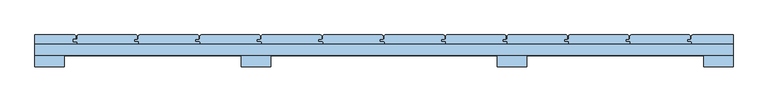
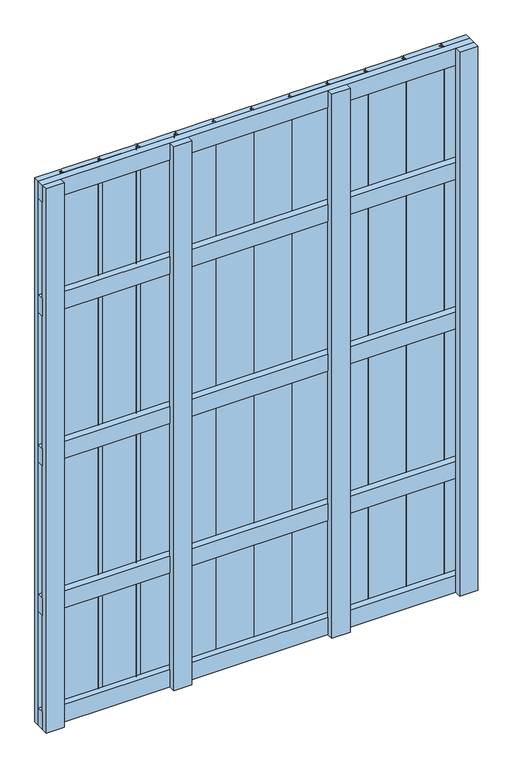
"""IFC4 building model written with IfcOpenShell, lengths in millimetres: window geometry."""

from ifc_helpers import new_model, si_unit, point, frame, frame_2d, origin, place, context, project, spatial, polyline, circle_curve, trimmed, segment, composite_curve, outline, extrude, source, transform, mapped, element, save


def window_248f4557(model_context):
    return source(origin(), model_context, "Body", "SweptSolid", [
        extrude(outline(polyline([(750.0, 148.0), (750.0, 124.0), (-750.0, 124.0), (-750.0, 148.0), (750.0, 148.0)])), frame((0.0, 0.0, 1618.5), z_axis=(0.0, 0.0, 1.0), x_axis=(1.0, 0.0, 0.0)), (0.0, 0.0, 1.0), 63.0),
        extrude(outline(polyline([(750.0, 148.0), (750.0, 124.0), (-750.0, 124.0), (-750.0, 148.0), (750.0, 148.0)])), frame((0.0, 0.0, 1068.5), z_axis=(0.0, 0.0, 1.0), x_axis=(1.0, 0.0, 0.0)), (0.0, 0.0, 1.0), 63.0),
        extrude(outline(polyline([(750.0, 148.0), (750.0, 124.0), (-750.0, 124.0), (-750.0, 148.0), (750.0, 148.0)])), frame((0.0, 0.0, 518.5), z_axis=(0.0, 0.0, 1.0), x_axis=(1.0, 0.0, 0.0)), (0.0, 0.0, 1.0), 63.0),
        extrude(outline(polyline([(750.0, 148.0), (750.0, 124.0), (-750.0, 124.0), (-750.0, 148.0), (750.0, 148.0)])), frame((0.0, 0.0, 2037.0), z_axis=(0.0, 0.0, 1.0), x_axis=(1.0, 0.0, 0.0)), (0.0, 0.0, 1.0), 63.0),
        extrude(outline(polyline([(750.0, 148.0), (750.0, 124.0), (-750.0, 124.0), (-750.0, 148.0), (750.0, 148.0)])), frame((0.0, 0.0, 100.0), z_axis=(0.0, 0.0, 1.0), x_axis=(1.0, 0.0, 0.0)), (0.0, 0.0, 1.0), 63.0),
        extrude(outline(composite_curve([segment(polyline([(-531.0, 159.0), (-536.0, 159.0)]), True, "CONTINUOUS"), segment(trimmed(circle_curve(frame_2d((-536.0, 158.0)), 1.0), [point((-536.0, 159.0))], [point((-537.0, 158.0))], True, "CARTESIAN"), True, "CONTINUOUS"), segment(polyline([(-537.0, 158.0), (-537.0, 154.0)]), True, "CONTINUOUS"), segment(trimmed(circle_curve(frame_2d((-536.0, 154.0)), 1.0), [point((-537.0, 154.0))], [point((-536.0, 153.0))], True, "CARTESIAN"), True, "CONTINUOUS"), segment(polyline([(-536.0, 153.0), (-529.0, 153.0)]), True, "CONTINUOUS"), segment(trimmed(circle_curve(frame_2d((-529.0, 152.0)), 1.0), [point((-529.0, 153.0))], [point((-528.0, 152.0))], False, "CARTESIAN"), True, "CONTINUOUS"), segment(polyline([(-528.0, 152.0), (-528.0, 148.0), (-659.0, 148.0), (-659.0, 153.0), (-667.0, 153.0)]), True, "CONTINUOUS"), segment(trimmed(circle_curve(frame_2d((-667.0, 154.0)), 1.0), [point((-667.0, 153.0))], [point((-668.0, 154.0))], False, "CARTESIAN"), True, "CONTINUOUS"), segment(polyline([(-668.0, 154.0), (-668.0, 158.0)]), True, "CONTINUOUS"), segment(trimmed(circle_curve(frame_2d((-667.0, 158.0)), 1.0), [point((-668.0, 158.0))], [point((-667.0, 159.0))], False, "CARTESIAN"), True, "CONTINUOUS"), segment(polyline([(-667.0, 159.0), (-659.5177112, 159.0), (-659.5177112, 165.0156631)]), True, "CONTINUOUS"), segment(trimmed(circle_curve(frame_2d((-656.5333743, 165.0156631)), 2.9843369), [point((-659.5177112, 165.0156631))], [point((-656.5333743, 168.0))], False, "CARTESIAN"), True, "CONTINUOUS"), segment(polyline([(-656.5333743, 168.0), (-533.0347984, 168.0)]), True, "CONTINUOUS"), segment(trimmed(circle_curve(frame_2d((-533.0347984, 164.9652016)), 3.0347984), [point((-533.0347984, 168.0))], [point((-530.0, 164.9652016))], False, "CARTESIAN"), True, "CONTINUOUS"), segment(polyline([(-530.0, 164.9652016), (-530.0, 160.0)]), True, "CONTINUOUS"), segment(trimmed(circle_curve(frame_2d((-531.0, 160.0)), 1.0), [point((-530.0, 160.0))], [point((-531.0, 159.0))], False, "CARTESIAN"), True, "CONTINUOUS")], self_intersect=False)), frame((0.0, 0.0, 100.0), z_axis=(0.0, 0.0, 1.0), x_axis=(1.0, 0.0, 0.0)), (0.0, 0.0, 1.0), 2000.0),
        extrude(outline(composite_curve([segment(polyline([(-399.0, 159.0), (-404.0, 159.0)]), True, "CONTINUOUS"), segment(trimmed(circle_curve(frame_2d((-404.0, 158.0)), 1.0), [point((-404.0, 159.0))], [point((-405.0, 158.0))], True, "CARTESIAN"), True, "CONTINUOUS"), segment(polyline([(-405.0, 158.0), (-405.0, 154.0)]), True, "CONTINUOUS"), segment(trimmed(circle_curve(frame_2d((-404.0, 154.0)), 1.0), [point((-405.0, 154.0))], [point((-404.0, 153.0))], True, "CARTESIAN"), True, "CONTINUOUS"), segment(polyline([(-404.0, 153.0), (-397.0, 153.0)]), True, "CONTINUOUS"), segment(trimmed(circle_curve(frame_2d((-397.0, 152.0)), 1.0), [point((-397.0, 153.0))], [point((-396.0, 152.0))], False, "CARTESIAN"), True, "CONTINUOUS"), segment(polyline([(-396.0, 152.0), (-396.0, 148.0), (-527.0, 148.0), (-527.0, 153.0), (-535.0, 153.0)]), True, "CONTINUOUS"), segment(trimmed(circle_curve(frame_2d((-535.0, 154.0)), 1.0), [point((-535.0, 153.0))], [point((-536.0, 154.0))], False, "CARTESIAN"), True, "CONTINUOUS"), segment(polyline([(-536.0, 154.0), (-536.0, 158.0)]), True, "CONTINUOUS"), segment(trimmed(circle_curve(frame_2d((-535.0, 158.0)), 1.0), [point((-536.0, 158.0))], [point((-535.0, 159.0))], False, "CARTESIAN"), True, "CONTINUOUS"), segment(polyline([(-535.0, 159.0), (-527.5177112, 159.0), (-527.5177112, 165.0156631)]), True, "CONTINUOUS"), segment(trimmed(circle_curve(frame_2d((-524.5333743, 165.0156631)), 2.9843369), [point((-527.5177112, 165.0156631))], [point((-524.5333743, 168.0))], False, "CARTESIAN"), True, "CONTINUOUS"), segment(polyline([(-524.5333743, 168.0), (-401.0347984, 168.0)]), True, "CONTINUOUS"), segment(trimmed(circle_curve(frame_2d((-401.0347984, 164.9652016)), 3.0347984), [point((-401.0347984, 168.0))], [point((-398.0, 164.9652016))], False, "CARTESIAN"), True, "CONTINUOUS"), segment(polyline([(-398.0, 164.9652016), (-398.0, 160.0)]), True, "CONTINUOUS"), segment(trimmed(circle_curve(frame_2d((-399.0, 160.0)), 1.0), [point((-398.0, 160.0))], [point((-399.0, 159.0))], False, "CARTESIAN"), True, "CONTINUOUS")], self_intersect=False)), frame((0.0, 0.0, 100.0), z_axis=(0.0, 0.0, 1.0), x_axis=(1.0, 0.0, 0.0)), (0.0, 0.0, 1.0), 2000.0),
        extrude(outline(composite_curve([segment(polyline([(-267.0, 159.0), (-272.0, 159.0)]), True, "CONTINUOUS"), segment(trimmed(circle_curve(frame_2d((-272.0, 158.0)), 1.0), [point((-272.0, 159.0))], [point((-273.0, 158.0))], True, "CARTESIAN"), True, "CONTINUOUS"), segment(polyline([(-273.0, 158.0), (-273.0, 154.0)]), True, "CONTINUOUS"), segment(trimmed(circle_curve(frame_2d((-272.0, 154.0)), 1.0), [point((-273.0, 154.0))], [point((-272.0, 153.0))], True, "CARTESIAN"), True, "CONTINUOUS"), segment(polyline([(-272.0, 153.0), (-265.0, 153.0)]), True, "CONTINUOUS"), segment(trimmed(circle_curve(frame_2d((-265.0, 152.0)), 1.0), [point((-265.0, 153.0))], [point((-264.0, 152.0))], False, "CARTESIAN"), True, "CONTINUOUS"), segment(polyline([(-264.0, 152.0), (-264.0, 148.0), (-395.0, 148.0), (-395.0, 153.0), (-403.0, 153.0)]), True, "CONTINUOUS"), segment(trimmed(circle_curve(frame_2d((-403.0, 154.0)), 1.0), [point((-403.0, 153.0))], [point((-404.0, 154.0))], False, "CARTESIAN"), True, "CONTINUOUS"), segment(polyline([(-404.0, 154.0), (-404.0, 158.0)]), True, "CONTINUOUS"), segment(trimmed(circle_curve(frame_2d((-403.0, 158.0)), 1.0), [point((-404.0, 158.0))], [point((-403.0, 159.0))], False, "CARTESIAN"), True, "CONTINUOUS"), segment(polyline([(-403.0, 159.0), (-395.5177112, 159.0), (-395.5177112, 165.0156631)]), True, "CONTINUOUS"), segment(trimmed(circle_curve(frame_2d((-392.5333743, 165.0156631)), 2.9843369), [point((-395.5177112, 165.0156631))], [point((-392.5333743, 168.0))], False, "CARTESIAN"), True, "CONTINUOUS"), segment(polyline([(-392.5333743, 168.0), (-269.0347984, 168.0)]), True, "CONTINUOUS"), segment(trimmed(circle_curve(frame_2d((-269.0347984, 164.9652016)), 3.0347984), [point((-269.0347984, 168.0))], [point((-266.0, 164.9652016))], False, "CARTESIAN"), True, "CONTINUOUS"), segment(polyline([(-266.0, 164.9652016), (-266.0, 160.0)]), True, "CONTINUOUS"), segment(trimmed(circle_curve(frame_2d((-267.0, 160.0)), 1.0), [point((-266.0, 160.0))], [point((-267.0, 159.0))], False, "CARTESIAN"), True, "CONTINUOUS")], self_intersect=False)), frame((0.0, 0.0, 100.0), z_axis=(0.0, 0.0, 1.0), x_axis=(1.0, 0.0, 0.0)), (0.0, 0.0, 1.0), 2000.0),
        extrude(outline(composite_curve([segment(polyline([(-135.0, 159.0), (-140.0, 159.0)]), True, "CONTINUOUS"), segment(trimmed(circle_curve(frame_2d((-140.0, 158.0)), 1.0), [point((-140.0, 159.0))], [point((-141.0, 158.0))], True, "CARTESIAN"), True, "CONTINUOUS"), segment(polyline([(-141.0, 158.0), (-141.0, 154.0)]), True, "CONTINUOUS"), segment(trimmed(circle_curve(frame_2d((-140.0, 154.0)), 1.0), [point((-141.0, 154.0))], [point((-140.0, 153.0))], True, "CARTESIAN"), True, "CONTINUOUS"), segment(polyline([(-140.0, 153.0), (-133.0, 153.0)]), True, "CONTINUOUS"), segment(trimmed(circle_curve(frame_2d((-133.0, 152.0)), 1.0), [point((-133.0, 153.0))], [point((-132.0, 152.0))], False, "CARTESIAN"), True, "CONTINUOUS"), segment(polyline([(-132.0, 152.0), (-132.0, 148.0), (-263.0, 148.0), (-263.0, 153.0), (-271.0, 153.0)]), True, "CONTINUOUS"), segment(trimmed(circle_curve(frame_2d((-271.0, 154.0)), 1.0), [point((-271.0, 153.0))], [point((-272.0, 154.0))], False, "CARTESIAN"), True, "CONTINUOUS"), segment(polyline([(-272.0, 154.0), (-272.0, 158.0)]), True, "CONTINUOUS"), segment(trimmed(circle_curve(frame_2d((-271.0, 158.0)), 1.0), [point((-272.0, 158.0))], [point((-271.0, 159.0))], False, "CARTESIAN"), True, "CONTINUOUS"), segment(polyline([(-271.0, 159.0), (-263.5177112, 159.0), (-263.5177112, 165.0156631)]), True, "CONTINUOUS"), segment(trimmed(circle_curve(frame_2d((-260.5333743, 165.0156631)), 2.9843369), [point((-263.5177112, 165.0156631))], [point((-260.5333743, 168.0))], False, "CARTESIAN"), True, "CONTINUOUS"), segment(polyline([(-260.5333743, 168.0), (-137.0347984, 168.0)]), True, "CONTINUOUS"), segment(trimmed(circle_curve(frame_2d((-137.0347984, 164.9652016)), 3.0347984), [point((-137.0347984, 168.0))], [point((-134.0, 164.9652016))], False, "CARTESIAN"), True, "CONTINUOUS"), segment(polyline([(-134.0, 164.9652016), (-134.0, 160.0)]), True, "CONTINUOUS"), segment(trimmed(circle_curve(frame_2d((-135.0, 160.0)), 1.0), [point((-134.0, 160.0))], [point((-135.0, 159.0))], False, "CARTESIAN"), True, "CONTINUOUS")], self_intersect=False)), frame((0.0, 0.0, 100.0), z_axis=(0.0, 0.0, 1.0), x_axis=(1.0, 0.0, 0.0)), (0.0, 0.0, 1.0), 2000.0),
        extrude(outline(composite_curve([segment(polyline([(-3.0, 159.0), (-8.0, 159.0)]), True, "CONTINUOUS"), segment(trimmed(circle_curve(frame_2d((-8.0, 158.0)), 1.0), [point((-8.0, 159.0))], [point((-9.0, 158.0))], True, "CARTESIAN"), True, "CONTINUOUS"), segment(polyline([(-9.0, 158.0), (-9.0, 154.0)]), True, "CONTINUOUS"), segment(trimmed(circle_curve(frame_2d((-8.0, 154.0)), 1.0), [point((-9.0, 154.0))], [point((-8.0, 153.0))], True, "CARTESIAN"), True, "CONTINUOUS"), segment(polyline([(-8.0, 153.0), (-1.0, 153.0)]), True, "CONTINUOUS"), segment(trimmed(circle_curve(frame_2d((-1.0, 152.0)), 1.0), [point((-1.0, 153.0))], [point((0.0, 152.0))], False, "CARTESIAN"), True, "CONTINUOUS"), segment(polyline([(0.0, 152.0), (0.0, 148.0), (-131.0, 148.0), (-131.0, 153.0), (-139.0, 153.0)]), True, "CONTINUOUS"), segment(trimmed(circle_curve(frame_2d((-139.0, 154.0)), 1.0), [point((-139.0, 153.0))], [point((-140.0, 154.0))], False, "CARTESIAN"), True, "CONTINUOUS"), segment(polyline([(-140.0, 154.0), (-140.0, 158.0)]), True, "CONTINUOUS"), segment(trimmed(circle_curve(frame_2d((-139.0, 158.0)), 1.0), [point((-140.0, 158.0))], [point((-139.0, 159.0))], False, "CARTESIAN"), True, "CONTINUOUS"), segment(polyline([(-139.0, 159.0), (-131.5177112, 159.0), (-131.5177112, 165.0156631)]), True, "CONTINUOUS"), segment(trimmed(circle_curve(frame_2d((-128.5333743, 165.0156631)), 2.9843369), [point((-131.5177112, 165.0156631))], [point((-128.5333743, 168.0))], False, "CARTESIAN"), True, "CONTINUOUS"), segment(polyline([(-128.5333743, 168.0), (-5.0347984, 168.0)]), True, "CONTINUOUS"), segment(trimmed(circle_curve(frame_2d((-5.0347984, 164.9652016)), 3.0347984), [point((-5.0347984, 168.0))], [point((-2.0, 164.9652016))], False, "CARTESIAN"), True, "CONTINUOUS"), segment(polyline([(-2.0, 164.9652016), (-2.0, 160.0)]), True, "CONTINUOUS"), segment(trimmed(circle_curve(frame_2d((-3.0, 160.0)), 1.0), [point((-2.0, 160.0))], [point((-3.0, 159.0))], False, "CARTESIAN"), True, "CONTINUOUS")], self_intersect=False)), frame((0.0, 0.0, 100.0), z_axis=(0.0, 0.0, 1.0), x_axis=(1.0, 0.0, 0.0)), (0.0, 0.0, 1.0), 2000.0),
        extrude(outline(composite_curve([segment(polyline([(129.0, 159.0), (124.0, 159.0)]), True, "CONTINUOUS"), segment(trimmed(circle_curve(frame_2d((124.0, 158.0)), 1.0), [point((124.0, 159.0))], [point((123.0, 158.0))], True, "CARTESIAN"), True, "CONTINUOUS"), segment(polyline([(123.0, 158.0), (123.0, 154.0)]), True, "CONTINUOUS"), segment(trimmed(circle_curve(frame_2d((124.0, 154.0)), 1.0), [point((123.0, 154.0))], [point((124.0, 153.0))], True, "CARTESIAN"), True, "CONTINUOUS"), segment(polyline([(124.0, 153.0), (131.0, 153.0)]), True, "CONTINUOUS"), segment(trimmed(circle_curve(frame_2d((131.0, 152.0)), 1.0), [point((131.0, 153.0))], [point((132.0, 152.0))], False, "CARTESIAN"), True, "CONTINUOUS"), segment(polyline([(132.0, 152.0), (132.0, 148.0), (1.0, 148.0), (1.0, 153.0), (-7.0, 153.0)]), True, "CONTINUOUS"), segment(trimmed(circle_curve(frame_2d((-7.0, 154.0)), 1.0), [point((-7.0, 153.0))], [point((-8.0, 154.0))], False, "CARTESIAN"), True, "CONTINUOUS"), segment(polyline([(-8.0, 154.0), (-8.0, 158.0)]), True, "CONTINUOUS"), segment(trimmed(circle_curve(frame_2d((-7.0, 158.0)), 1.0), [point((-8.0, 158.0))], [point((-7.0, 159.0))], False, "CARTESIAN"), True, "CONTINUOUS"), segment(polyline([(-7.0, 159.0), (0.4822888, 159.0), (0.4822888, 165.0156631)]), True, "CONTINUOUS"), segment(trimmed(circle_curve(frame_2d((3.4666257, 165.0156631)), 2.9843369), [point((0.4822888, 165.0156631))], [point((3.4666257, 168.0))], False, "CARTESIAN"), True, "CONTINUOUS"), segment(polyline([(3.4666257, 168.0), (126.9652016, 168.0)]), True, "CONTINUOUS"), segment(trimmed(circle_curve(frame_2d((126.9652016, 164.9652016)), 3.0347984), [point((126.9652016, 168.0))], [point((130.0, 164.9652016))], False, "CARTESIAN"), True, "CONTINUOUS"), segment(polyline([(130.0, 164.9652016), (130.0, 160.0)]), True, "CONTINUOUS"), segment(trimmed(circle_curve(frame_2d((129.0, 160.0)), 1.0), [point((130.0, 160.0))], [point((129.0, 159.0))], False, "CARTESIAN"), True, "CONTINUOUS")], self_intersect=False)), frame((0.0, 0.0, 100.0), z_axis=(0.0, 0.0, 1.0), x_axis=(1.0, 0.0, 0.0)), (0.0, 0.0, 1.0), 2000.0),
        extrude(outline(composite_curve([segment(polyline([(261.0, 159.0), (256.0, 159.0)]), True, "CONTINUOUS"), segment(trimmed(circle_curve(frame_2d((256.0, 158.0)), 1.0), [point((256.0, 159.0))], [point((255.0, 158.0))], True, "CARTESIAN"), True, "CONTINUOUS"), segment(polyline([(255.0, 158.0), (255.0, 154.0)]), True, "CONTINUOUS"), segment(trimmed(circle_curve(frame_2d((256.0, 154.0)), 1.0), [point((255.0, 154.0))], [point((256.0, 153.0))], True, "CARTESIAN"), True, "CONTINUOUS"), segment(polyline([(256.0, 153.0), (263.0, 153.0)]), True, "CONTINUOUS"), segment(trimmed(circle_curve(frame_2d((263.0, 152.0)), 1.0), [point((263.0, 153.0))], [point((264.0, 152.0))], False, "CARTESIAN"), True, "CONTINUOUS"), segment(polyline([(264.0, 152.0), (264.0, 148.0), (133.0, 148.0), (133.0, 153.0), (125.0, 153.0)]), True, "CONTINUOUS"), segment(trimmed(circle_curve(frame_2d((125.0, 154.0)), 1.0), [point((125.0, 153.0))], [point((124.0, 154.0))], False, "CARTESIAN"), True, "CONTINUOUS"), segment(polyline([(124.0, 154.0), (124.0, 158.0)]), True, "CONTINUOUS"), segment(trimmed(circle_curve(frame_2d((125.0, 158.0)), 1.0), [point((124.0, 158.0))], [point((125.0, 159.0))], False, "CARTESIAN"), True, "CONTINUOUS"), segment(polyline([(125.0, 159.0), (132.4822888, 159.0), (132.4822888, 165.0156631)]), True, "CONTINUOUS"), segment(trimmed(circle_curve(frame_2d((135.4666257, 165.0156631)), 2.9843369), [point((132.4822888, 165.0156631))], [point((135.4666257, 168.0))], False, "CARTESIAN"), True, "CONTINUOUS"), segment(polyline([(135.4666257, 168.0), (258.9652016, 168.0)]), True, "CONTINUOUS"), segment(trimmed(circle_curve(frame_2d((258.9652016, 164.9652016)), 3.0347984), [point((258.9652016, 168.0))], [point((262.0, 164.9652016))], False, "CARTESIAN"), True, "CONTINUOUS"), segment(polyline([(262.0, 164.9652016), (262.0, 160.0)]), True, "CONTINUOUS"), segment(trimmed(circle_curve(frame_2d((261.0, 160.0)), 1.0), [point((262.0, 160.0))], [point((261.0, 159.0))], False, "CARTESIAN"), True, "CONTINUOUS")], self_intersect=False)), frame((0.0, 0.0, 100.0), z_axis=(0.0, 0.0, 1.0), x_axis=(1.0, 0.0, 0.0)), (0.0, 0.0, 1.0), 2000.0),
        extrude(outline(composite_curve([segment(polyline([(393.0, 159.0), (388.0, 159.0)]), True, "CONTINUOUS"), segment(trimmed(circle_curve(frame_2d((388.0, 158.0)), 1.0), [point((388.0, 159.0))], [point((387.0, 158.0))], True, "CARTESIAN"), True, "CONTINUOUS"), segment(polyline([(387.0, 158.0), (387.0, 154.0)]), True, "CONTINUOUS"), segment(trimmed(circle_curve(frame_2d((388.0, 154.0)), 1.0), [point((387.0, 154.0))], [point((388.0, 153.0))], True, "CARTESIAN"), True, "CONTINUOUS"), segment(polyline([(388.0, 153.0), (395.0, 153.0)]), True, "CONTINUOUS"), segment(trimmed(circle_curve(frame_2d((395.0, 152.0)), 1.0), [point((395.0, 153.0))], [point((396.0, 152.0))], False, "CARTESIAN"), True, "CONTINUOUS"), segment(polyline([(396.0, 152.0), (396.0, 148.0), (265.0, 148.0), (265.0, 153.0), (257.0, 153.0)]), True, "CONTINUOUS"), segment(trimmed(circle_curve(frame_2d((257.0, 154.0)), 1.0), [point((257.0, 153.0))], [point((256.0, 154.0))], False, "CARTESIAN"), True, "CONTINUOUS"), segment(polyline([(256.0, 154.0), (256.0, 158.0)]), True, "CONTINUOUS"), segment(trimmed(circle_curve(frame_2d((257.0, 158.0)), 1.0), [point((256.0, 158.0))], [point((257.0, 159.0))], False, "CARTESIAN"), True, "CONTINUOUS"), segment(polyline([(257.0, 159.0), (264.4822888, 159.0), (264.4822888, 165.0156631)]), True, "CONTINUOUS"), segment(trimmed(circle_curve(frame_2d((267.4666257, 165.0156631)), 2.9843369), [point((264.4822888, 165.0156631))], [point((267.4666257, 168.0))], False, "CARTESIAN"), True, "CONTINUOUS"), segment(polyline([(267.4666257, 168.0), (390.9652016, 168.0)]), True, "CONTINUOUS"), segment(trimmed(circle_curve(frame_2d((390.9652016, 164.9652016)), 3.0347984), [point((390.9652016, 168.0))], [point((394.0, 164.9652016))], False, "CARTESIAN"), True, "CONTINUOUS"), segment(polyline([(394.0, 164.9652016), (394.0, 160.0)]), True, "CONTINUOUS"), segment(trimmed(circle_curve(frame_2d((393.0, 160.0)), 1.0), [point((394.0, 160.0))], [point((393.0, 159.0))], False, "CARTESIAN"), True, "CONTINUOUS")], self_intersect=False)), frame((0.0, 0.0, 100.0), z_axis=(0.0, 0.0, 1.0), x_axis=(1.0, 0.0, 0.0)), (0.0, 0.0, 1.0), 2000.0),
        extrude(outline(composite_curve([segment(polyline([(525.0, 159.0), (520.0, 159.0)]), True, "CONTINUOUS"), segment(trimmed(circle_curve(frame_2d((520.0, 158.0)), 1.0), [point((520.0, 159.0))], [point((519.0, 158.0))], True, "CARTESIAN"), True, "CONTINUOUS"), segment(polyline([(519.0, 158.0), (519.0, 154.0)]), True, "CONTINUOUS"), segment(trimmed(circle_curve(frame_2d((520.0, 154.0)), 1.0), [point((519.0, 154.0))], [point((520.0, 153.0))], True, "CARTESIAN"), True, "CONTINUOUS"), segment(polyline([(520.0, 153.0), (527.0, 153.0)]), True, "CONTINUOUS"), segment(trimmed(circle_curve(frame_2d((527.0, 152.0)), 1.0), [point((527.0, 153.0))], [point((528.0, 152.0))], False, "CARTESIAN"), True, "CONTINUOUS"), segment(polyline([(528.0, 152.0), (528.0, 148.0), (397.0, 148.0), (397.0, 153.0), (389.0, 153.0)]), True, "CONTINUOUS"), segment(trimmed(circle_curve(frame_2d((389.0, 154.0)), 1.0), [point((389.0, 153.0))], [point((388.0, 154.0))], False, "CARTESIAN"), True, "CONTINUOUS"), segment(polyline([(388.0, 154.0), (388.0, 158.0)]), True, "CONTINUOUS"), segment(trimmed(circle_curve(frame_2d((389.0, 158.0)), 1.0), [point((388.0, 158.0))], [point((389.0, 159.0))], False, "CARTESIAN"), True, "CONTINUOUS"), segment(polyline([(389.0, 159.0), (396.4822888, 159.0), (396.4822888, 165.0156631)]), True, "CONTINUOUS"), segment(trimmed(circle_curve(frame_2d((399.4666257, 165.0156631)), 2.9843369), [point((396.4822888, 165.0156631))], [point((399.4666257, 168.0))], False, "CARTESIAN"), True, "CONTINUOUS"), segment(polyline([(399.4666257, 168.0), (522.9652016, 168.0)]), True, "CONTINUOUS"), segment(trimmed(circle_curve(frame_2d((522.9652016, 164.9652016)), 3.0347984), [point((522.9652016, 168.0))], [point((526.0, 164.9652016))], False, "CARTESIAN"), True, "CONTINUOUS"), segment(polyline([(526.0, 164.9652016), (526.0, 160.0)]), True, "CONTINUOUS"), segment(trimmed(circle_curve(frame_2d((525.0, 160.0)), 1.0), [point((526.0, 160.0))], [point((525.0, 159.0))], False, "CARTESIAN"), True, "CONTINUOUS")], self_intersect=False)), frame((0.0, 0.0, 100.0), z_axis=(0.0, 0.0, 1.0), x_axis=(1.0, 0.0, 0.0)), (0.0, 0.0, 1.0), 2000.0),
        extrude(outline(composite_curve([segment(polyline([(657.0, 159.0), (652.0, 159.0)]), True, "CONTINUOUS"), segment(trimmed(circle_curve(frame_2d((652.0, 158.0)), 1.0), [point((652.0, 159.0))], [point((651.0, 158.0))], True, "CARTESIAN"), True, "CONTINUOUS"), segment(polyline([(651.0, 158.0), (651.0, 154.0)]), True, "CONTINUOUS"), segment(trimmed(circle_curve(frame_2d((652.0, 154.0)), 1.0), [point((651.0, 154.0))], [point((652.0, 153.0))], True, "CARTESIAN"), True, "CONTINUOUS"), segment(polyline([(652.0, 153.0), (659.0, 153.0)]), True, "CONTINUOUS"), segment(trimmed(circle_curve(frame_2d((659.0, 152.0)), 1.0), [point((659.0, 153.0))], [point((660.0, 152.0))], False, "CARTESIAN"), True, "CONTINUOUS"), segment(polyline([(660.0, 152.0), (660.0, 148.0), (529.0, 148.0), (529.0, 153.0), (521.0, 153.0)]), True, "CONTINUOUS"), segment(trimmed(circle_curve(frame_2d((521.0, 154.0)), 1.0), [point((521.0, 153.0))], [point((520.0, 154.0))], False, "CARTESIAN"), True, "CONTINUOUS"), segment(polyline([(520.0, 154.0), (520.0, 158.0)]), True, "CONTINUOUS"), segment(trimmed(circle_curve(frame_2d((521.0, 158.0)), 1.0), [point((520.0, 158.0))], [point((521.0, 159.0))], False, "CARTESIAN"), True, "CONTINUOUS"), segment(polyline([(521.0, 159.0), (528.4822888, 159.0), (528.4822888, 165.0156631)]), True, "CONTINUOUS"), segment(trimmed(circle_curve(frame_2d((531.4666257, 165.0156631)), 2.9843369), [point((528.4822888, 165.0156631))], [point((531.4666257, 168.0))], False, "CARTESIAN"), True, "CONTINUOUS"), segment(polyline([(531.4666257, 168.0), (654.9652016, 168.0)]), True, "CONTINUOUS"), segment(trimmed(circle_curve(frame_2d((654.9652016, 164.9652016)), 3.0347984), [point((654.9652016, 168.0))], [point((658.0, 164.9652016))], False, "CARTESIAN"), True, "CONTINUOUS"), segment(polyline([(658.0, 164.9652016), (658.0, 160.0)]), True, "CONTINUOUS"), segment(trimmed(circle_curve(frame_2d((657.0, 160.0)), 1.0), [point((658.0, 160.0))], [point((657.0, 159.0))], False, "CARTESIAN"), True, "CONTINUOUS")], self_intersect=False)), frame((0.0, 0.0, 100.0), z_axis=(0.0, 0.0, 1.0), x_axis=(1.0, 0.0, 0.0)), (0.0, 0.0, 1.0), 2000.0),
        extrude(outline(composite_curve([segment(polyline([(-663.0, 159.0), (-668.0, 159.0)]), True, "CONTINUOUS"), segment(trimmed(circle_curve(frame_2d((-668.0, 158.0)), 1.0), [point((-668.0, 159.0))], [point((-669.0, 158.0))], True, "CARTESIAN"), True, "CONTINUOUS"), segment(polyline([(-669.0, 158.0), (-669.0, 154.0)]), True, "CONTINUOUS"), segment(trimmed(circle_curve(frame_2d((-668.0, 154.0)), 1.0), [point((-669.0, 154.0))], [point((-668.0, 153.0))], True, "CARTESIAN"), True, "CONTINUOUS"), segment(polyline([(-668.0, 153.0), (-661.0, 153.0)]), True, "CONTINUOUS"), segment(trimmed(circle_curve(frame_2d((-661.0, 152.0)), 1.0), [point((-661.0, 153.0))], [point((-660.0, 152.0))], False, "CARTESIAN"), True, "CONTINUOUS"), segment(polyline([(-660.0, 152.0), (-660.0, 148.0), (-750.0, 148.0), (-750.0, 168.0), (-665.0347984, 168.0)]), True, "CONTINUOUS"), segment(trimmed(circle_curve(frame_2d((-665.0347984, 164.9652016)), 3.0347984), [point((-665.0347984, 168.0))], [point((-662.0, 164.9652016))], False, "CARTESIAN"), True, "CONTINUOUS"), segment(polyline([(-662.0, 164.9652016), (-662.0, 160.0)]), True, "CONTINUOUS"), segment(trimmed(circle_curve(frame_2d((-663.0, 160.0)), 1.0), [point((-662.0, 160.0))], [point((-663.0, 159.0))], False, "CARTESIAN"), True, "CONTINUOUS")], self_intersect=False)), frame((0.0, 0.0, 100.0), z_axis=(0.0, 0.0, 1.0), x_axis=(1.0, 0.0, 0.0)), (0.0, 0.0, 1.0), 2000.0),
        extrude(outline(composite_curve([segment(polyline([(652.0, 154.0), (652.0, 158.0)]), True, "CONTINUOUS"), segment(trimmed(circle_curve(frame_2d((653.0, 158.0)), 1.0), [point((652.0, 158.0))], [point((653.0, 159.0))], False, "CARTESIAN"), True, "CONTINUOUS"), segment(polyline([(653.0, 159.0), (660.4822888, 159.0), (660.4822888, 165.0344851)]), True, "CONTINUOUS"), segment(trimmed(circle_curve(frame_2d((663.4478037, 165.0344851)), 2.9655149), [point((660.4822888, 165.0344851))], [point((663.4478037, 168.0))], False, "CARTESIAN"), True, "CONTINUOUS"), segment(polyline([(663.4478037, 168.0), (750.0, 168.0), (750.0, 148.0), (661.0, 148.0), (661.0, 153.0), (653.0, 153.0)]), True, "CONTINUOUS"), segment(trimmed(circle_curve(frame_2d((653.0, 154.0)), 1.0), [point((653.0, 153.0))], [point((652.0, 154.0))], False, "CARTESIAN"), True, "CONTINUOUS")], self_intersect=False)), frame((0.0, 0.0, 100.0), z_axis=(0.0, 0.0, 1.0), x_axis=(1.0, 0.0, 0.0)), (0.0, 0.0, 1.0), 2000.0),
        extrude(outline(polyline([(-306.5, 124.0), (-243.5, 124.0), (-243.5, 100.0), (-306.5, 100.0), (-306.5, 124.0)])), frame((0.0, 0.0, 100.0), z_axis=(0.0, 0.0, 1.0), x_axis=(1.0, 0.0, 0.0)), (0.0, 0.0, 1.0), 2000.0),
        extrude(outline(polyline([(243.5, 124.0), (306.5, 124.0), (306.5, 100.0), (243.5, 100.0), (243.5, 124.0)])), frame((0.0, 0.0, 100.0), z_axis=(0.0, 0.0, 1.0), x_axis=(1.0, 0.0, 0.0)), (0.0, 0.0, 1.0), 2000.0),
        extrude(outline(polyline([(-750.0, 124.0), (-687.0, 124.0), (-687.0, 100.0), (-750.0, 100.0), (-750.0, 124.0)])), frame((0.0, 0.0, 100.0), z_axis=(0.0, 0.0, 1.0), x_axis=(1.0, 0.0, 0.0)), (0.0, 0.0, 1.0), 2000.0),
        extrude(outline(polyline([(687.0, 124.0), (750.0, 124.0), (750.0, 100.0), (687.0, 100.0), (687.0, 124.0)])), frame((0.0, 0.0, 100.0), z_axis=(0.0, 0.0, 1.0), x_axis=(1.0, 0.0, 0.0)), (0.0, 0.0, 1.0), 2000.0),
    ])


if __name__ == "__main__":
    model = new_model("IFC4")
    model_context = context("Model", 3, world=origin())
    ifc_project = project(units=[si_unit("LENGTHUNIT", "METRE", prefix="MILLI")], contexts=[model_context])
    site = spatial("IfcSite", under=ifc_project)
    building = spatial("IfcBuilding", under=site)
    placement = place(None, origin())
    window_shape = window_248f4557(model_context)
    element("IfcWindow", 1, at=placement, inside=building, context=model_context, shape_type="MappedRepresentation", body=[
        mapped(window_shape, transform((0.0, 0.0, 0.0), x_axis=(1.0, 0.0, 0.0), y_axis=(0.0, 1.0, 0.0), z_axis=(0.0, 0.0, 1.0))),
    ])
    save(model, "model.ifc")
